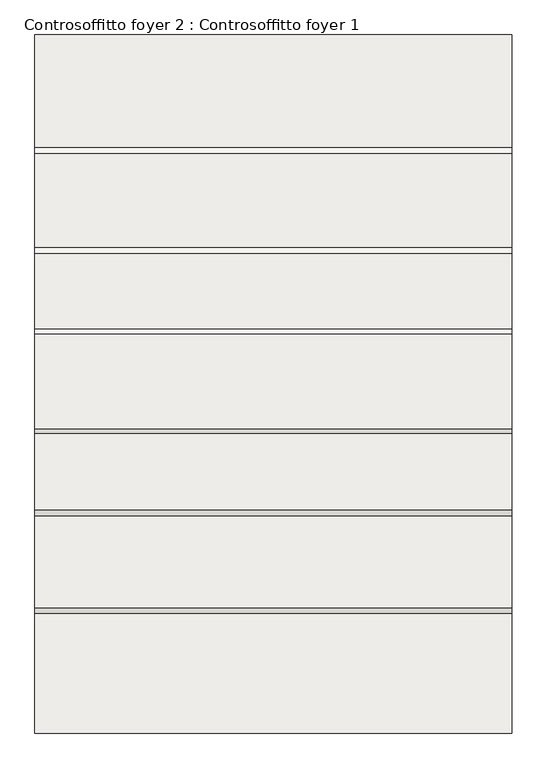
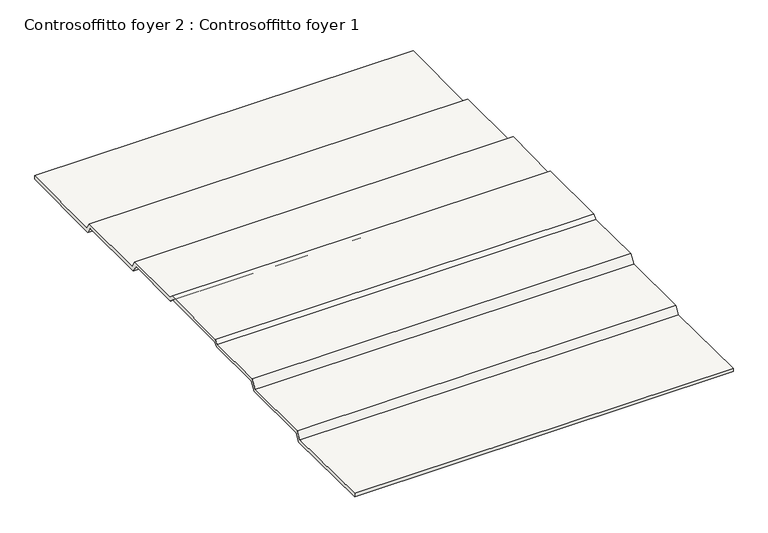
"""IFC4 building model written with IfcOpenShell, lengths in millimetres: slab geometry, Controsoffitto foyer 2 : Controsoffitto foyer 1."""

from ifc_helpers import new_model, si_unit, frame, origin, place, context, project, spatial, polyline, outline, extrude, source, transform, mapped, element, save


def controsoffitto_foyer_2_controsoffitto_foyer_1_295cb6f5(model_context):
    return source(origin(), model_context, "Body", "SweptSolid", [
        extrude(outline(polyline([(117103.3499656, 6350.1697665), (115978.1217872, 6361.5306895), (115978.1217872, 6401.5327282), (117082.6748774, 6390.3805523), (117138.4118231, 6469.9811602), (117982.9254795, 6469.9811602), (118042.6845382, 6562.002041), (118746.5777777, 6558.2646494), (118791.1820448, 6595.6920735), (119662.259539, 6598.945408), (119711.8796763, 6557.3091691), (120411.8031117, 6567.1514266), (120466.072865, 6476.8313895), (121329.1572097, 6476.8313895), (121388.1758745, 6392.5440011), (122429.3735527, 6405.2721394), (122429.3735527, 6365.2691507), (121367.5319906, 6352.2886509), (121308.3345277, 6436.8313895), (120443.4419539, 6436.8313895), (120389.3641688, 6526.8319377), (119697.565462, 6517.1039294), (119647.7655749, 6558.8909964), (118805.8056114, 6555.7464112), (118761.0443743, 6518.1872737), (118064.3277721, 6521.8865603), (118004.6437074, 6429.9811602), (117159.2345051, 6429.9811602), (117103.3499656, 6350.1697665)])), frame((2487.2520493, 0.0, 0.0), z_axis=(1.0, 0.0, 0.0), x_axis=(0.0, 1.0, 0.0)), (0.0, 0.0, 1.0), 4406.1618026),
    ])


if __name__ == "__main__":
    model = new_model("IFC4")
    model_context = context("Model", 3, world=origin())
    ifc_project = project(units=[si_unit("LENGTHUNIT", "METRE", prefix="MILLI")], contexts=[model_context])
    site = spatial("IfcSite", under=ifc_project)
    building = spatial("IfcBuilding", under=site)
    placement = place(None, origin())
    controsoffitto_foyer_2_controsoffitto_foyer_1_shape = controsoffitto_foyer_2_controsoffitto_foyer_1_295cb6f5(model_context)
    element("IfcSlab", 1, ObjectType="Controsoffitto foyer 2 : Controsoffitto foyer 1", at=placement, inside=building, context=model_context, shape_type="MappedRepresentation", body=[
        mapped(controsoffitto_foyer_2_controsoffitto_foyer_1_shape, transform((0.0, 0.0, 0.0), x_axis=(1.0, 0.0, 0.0), y_axis=(0.0, 1.0, 0.0), z_axis=(0.0, 0.0, 1.0))),
    ])
    save(model, "model.ifc")
